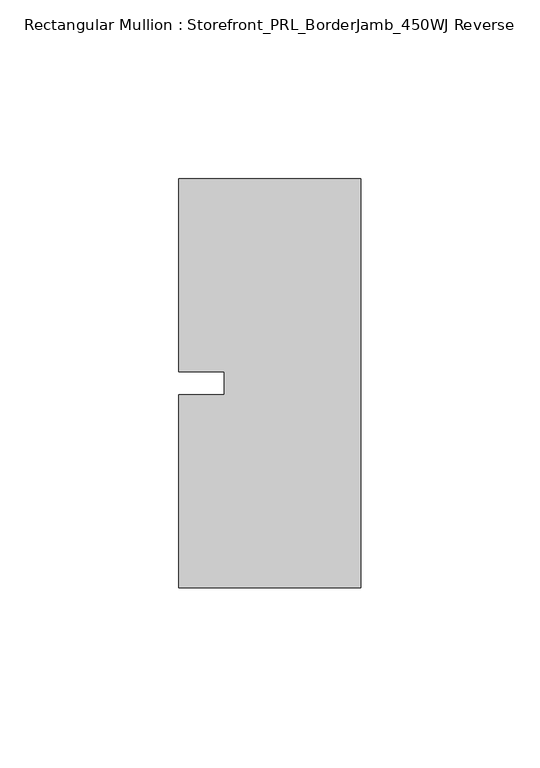
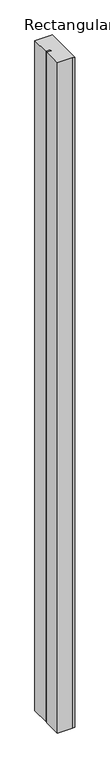
"""IFC4 building model written with IfcOpenShell, lengths in millimetres: member geometry, Rectangular Mullion : Storefront_PRL_BorderJamb_450WJ Reverse."""

from ifc_helpers import new_model, si_unit, frame, origin, place, context, project, spatial, polyline, outline, extrude, source, transform, mapped, element, save


def rectangular_mullion_storefront_prl_borderjamb_450wj_reverse_8b6c17e2(model_context):
    return source(origin(), model_context, "Body", "SweptSolid", [
        extrude(outline(polyline([(-38.1, -3.175), (-38.1, 3.175), (-50.8, 3.175), (-50.8, 57.15), (-7.3958824, 57.15), (0.0, 57.15), (0.0, -57.15), (-6.35, -57.15), (-50.8, -57.15), (-50.8, -3.175), (-38.1, -3.175)])), frame((0.0, 0.0, -2082.8), z_axis=(0.0, 0.0, 1.0), x_axis=(1.0, 0.0, 0.0)), (0.0, 0.0, 1.0), 2082.8),
    ])


if __name__ == "__main__":
    model = new_model("IFC4")
    model_context = context("Model", 3, world=origin())
    ifc_project = project(units=[si_unit("LENGTHUNIT", "METRE", prefix="MILLI")], contexts=[model_context])
    site = spatial("IfcSite", under=ifc_project)
    building = spatial("IfcBuilding", under=site)
    placement = place(None, origin())
    rectangular_mullion_storefront_prl_borderjamb_450wj_reverse_shape = rectangular_mullion_storefront_prl_borderjamb_450wj_reverse_8b6c17e2(model_context)
    element("IfcMember", 1, ObjectType="Rectangular Mullion : Storefront_PRL_BorderJamb_450WJ Reverse", at=placement, inside=building, context=model_context, shape_type="MappedRepresentation", body=[
        mapped(rectangular_mullion_storefront_prl_borderjamb_450wj_reverse_shape, transform((0.0, 0.0, 0.0), x_axis=(1.0, 0.0, 0.0), y_axis=(0.0, 1.0, 0.0), z_axis=(0.0, 0.0, 1.0))),
    ])
    save(model, "model.ifc")
